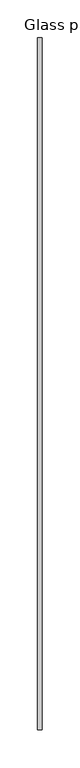
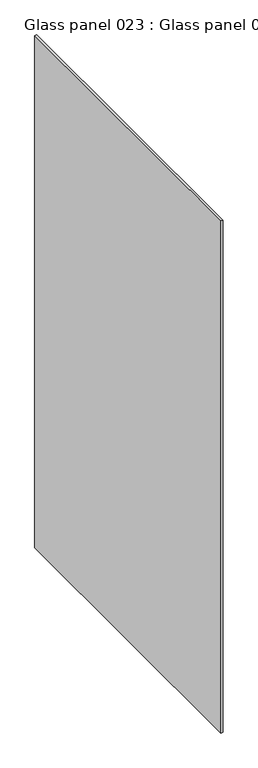
"""IFC4 building model written with IfcOpenShell, lengths in millimetres: proxy geometry, Glass panel 023 : Glass panel 023."""

from ifc_helpers import new_model, si_unit, frame, origin, place, context, project, spatial, polyline, outline, extrude, source, transform, mapped, element, save


def glass_panel_023_glass_panel_023_3bca3ecd(model_context):
    return source(origin(), model_context, "Body", "SweptSolid", [
        extrude(outline(polyline([(37611.4306247, -19576.8264269), (37605.6902244, -19576.8264269), (37605.6902244, -18662.4264268), (37611.4306247, -18662.4264268), (37611.4306247, -19576.8264269)])), frame((0.0, 0.0, 1377.9246), z_axis=(0.0, 0.0, 1.0), x_axis=(1.0, 0.0, 0.0)), (0.0, 0.0, 1.0), 1533.5504),
    ])


if __name__ == "__main__":
    model = new_model("IFC4")
    model_context = context("Model", 3, world=origin())
    ifc_project = project(units=[si_unit("LENGTHUNIT", "METRE", prefix="MILLI")], contexts=[model_context])
    site = spatial("IfcSite", under=ifc_project)
    building = spatial("IfcBuilding", under=site)
    placement = place(None, origin())
    glass_panel_023_glass_panel_023_shape = glass_panel_023_glass_panel_023_3bca3ecd(model_context)
    element("IfcBuildingElementProxy", 1, Name="Glass panel 023 : Glass panel 023", ObjectType="Glass panel 023 : Glass panel 023", at=placement, inside=building, context=model_context, shape_type="MappedRepresentation", body=[
        mapped(glass_panel_023_glass_panel_023_shape, transform((0.0, 0.0, 0.0), x_axis=(1.0, 0.0, 0.0), y_axis=(0.0, 1.0, 0.0), z_axis=(0.0, 0.0, 1.0))),
    ])
    save(model, "model.ifc")
